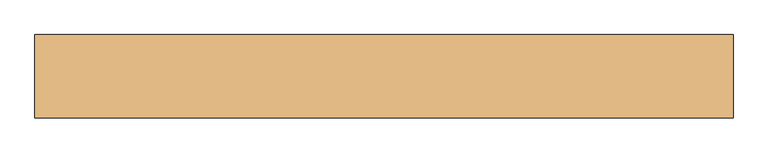
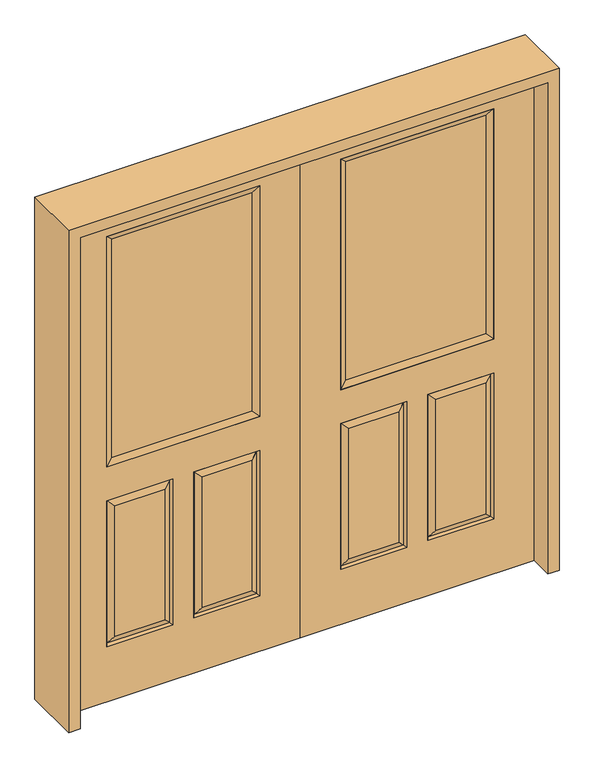
"""IFC4 building model written with IfcOpenShell, lengths in millimetres: door geometry."""

from ifc_helpers import new_model, si_unit, frame, origin, place, context, project, spatial, polyline, outline, extrude, faceted_brep, source, transform, mapped, element, save


def door_951740ad(model_context):
    return source(origin(), model_context, "Body", "SolidModel", [
        faceted_brep([(914.4, -22.225, 0.0), (914.4, -22.225, 2032.0), (0.0, -22.225, 2032.0), (0.0, -22.225, 0.0), (756.539, -22.225, 971.55), (157.861, -22.225, 971.55), (157.861, -22.225, 1925.574), (756.539, -22.225, 1925.574), (756.539, -22.225, 831.85), (756.539, -22.225, 228.6), (498.475, -22.225, 228.6), (498.475, -22.225, 831.85), (415.925, -22.225, 831.85), (415.925, -22.225, 228.6), (157.861, -22.225, 228.6), (157.861, -22.225, 831.85), (530.225, -22.225, 800.1), (530.225, -22.225, 260.35), (724.789, -22.225, 260.35), (724.789, -22.225, 800.1), (189.611, -22.225, 800.1), (189.611, -22.225, 260.35), (384.175, -22.225, 260.35), (384.175, -22.225, 800.1), (0.0, 22.225, 0.0), (914.4, 22.225, 0.0), (0.0, 22.225, 2032.0), (914.4, 22.225, 2032.0), (756.539, 22.225, 1925.574), (756.539, 22.225, 971.55), (157.861, 22.225, 971.55), (157.861, 22.225, 1925.574), (498.475, 22.225, 831.85), (498.475, 22.225, 228.6), (756.539, 22.225, 228.6), (756.539, 22.225, 831.85), (157.861, 22.225, 831.85), (157.861, 22.225, 228.6), (415.925, 22.225, 228.6), (415.925, 22.225, 831.85), (724.789, 22.225, 800.1), (724.789, 22.225, 260.35), (530.225, 22.225, 260.35), (530.225, 22.225, 800.1), (384.175, 22.225, 800.1), (384.175, 22.225, 260.35), (189.611, 22.225, 260.35), (189.611, 22.225, 800.1), (749.39525, -12.7449236, 824.70625), (505.61875, -12.7449236, 824.70625), (749.39525, -12.7449236, 235.74375), (505.61875, -12.7449236, 235.74375), (165.00475, -12.7449236, 824.70625), (408.78125, -12.7449236, 824.70625), (408.78125, -12.7449236, 235.74375), (165.00475, -12.7449236, 235.74375), (749.39525, 12.7449236, 824.70625), (505.61875, 12.7449236, 824.70625), (505.61875, 12.7449236, 235.74375), (749.39525, 12.7449236, 235.74375), (165.00475, 12.7449236, 824.70625), (408.78125, 12.7449236, 824.70625), (165.00475, 12.7449236, 235.74375), (408.78125, 12.7449236, 235.74375)], [[[0, 1, 2, 3], [4, 5, 6, 7], [8, 9, 10, 11], [12, 13, 14, 15]], [[16, 17, 18, 19]], [[20, 21, 22, 23]], [[3, 24, 25, 0]], [[2, 26, 24, 3]], [[0, 25, 27, 1]], [[7, 28, 29, 4]], [[5, 30, 31, 6]], [[4, 29, 30, 5]], [[25, 24, 26, 27], [29, 28, 31, 30], [32, 33, 34, 35], [36, 37, 38, 39]], [[40, 41, 42, 43]], [[44, 45, 46, 47]], [[1, 27, 26, 2]], [[6, 31, 28, 7]], [[16, 19, 48, 49]], [[19, 18, 50, 48]], [[51, 50, 18, 17]], [[49, 51, 17, 16]], [[48, 8, 11, 49]], [[11, 10, 51, 49]], [[10, 9, 50, 51]], [[48, 50, 9, 8]], [[52, 20, 23, 53]], [[23, 22, 54, 53]], [[22, 21, 55, 54]], [[52, 55, 21, 20]], [[53, 12, 15, 52]], [[15, 14, 55, 52]], [[54, 55, 14, 13]], [[53, 54, 13, 12]], [[56, 40, 43, 57]], [[43, 42, 58, 57]], [[42, 41, 59, 58]], [[56, 59, 41, 40]], [[57, 32, 35, 56]], [[35, 34, 59, 56]], [[58, 59, 34, 33]], [[57, 58, 33, 32]], [[44, 47, 60, 61]], [[47, 46, 62, 60]], [[63, 62, 46, 45]], [[61, 63, 45, 44]], [[60, 36, 39, 61]], [[39, 38, 63, 61]], [[38, 37, 62, 63]], [[60, 62, 37, 36]]]),
        extrude(outline(polyline([(183.261, -12.7), (183.261, 12.7), (731.139, 12.7), (731.139, -12.7), (183.261, -12.7)])), frame((0.0, 0.0, 996.95), z_axis=(0.0, 0.0, 1.0), x_axis=(1.0, 0.0, 0.0)), (0.0, 0.0, 1.0), 903.224),
        faceted_brep([(756.539, -22.225, 1925.574), (756.539, -22.225, 971.55), (756.539, 22.225, 971.55), (756.539, 22.225, 1925.574), (157.861, -22.225, 971.55), (157.861, 22.225, 971.55), (183.261, 12.7, 996.95), (731.139, 12.7, 996.95), (157.861, -22.225, 1925.574), (157.861, 22.225, 1925.574), (731.139, -12.7, 996.95), (183.261, -12.7, 996.95), (731.139, -12.7, 1900.174), (183.261, -12.7, 1900.174), (731.139, 12.7, 1900.174), (183.261, 12.7, 1900.174)], [[[0, 1, 2, 3]], [[1, 4, 5, 2]], [[2, 5, 6, 7]], [[4, 8, 9, 5]], [[10, 11, 4, 1]], [[12, 10, 1, 0]], [[11, 13, 8, 4]], [[7, 6, 11, 10]], [[14, 7, 10, 12]], [[6, 15, 13, 11]], [[3, 2, 7, 14]], [[5, 9, 15, 6]], [[8, 0, 3, 9]], [[13, 12, 0, 8]], [[15, 14, 12, 13]], [[9, 3, 14, 15]]]),
        faceted_brep([(-914.4, -22.225, 0.0), (0.0, -22.225, 0.0), (0.0, -22.225, 2032.0), (-914.4, -22.225, 2032.0), (-756.539, -22.225, 971.55), (-756.539, -22.225, 1925.574), (-157.861, -22.225, 1925.574), (-157.861, -22.225, 971.55), (-756.539, -22.225, 831.85), (-498.475, -22.225, 831.85), (-498.475, -22.225, 228.6), (-756.539, -22.225, 228.6), (-415.925, -22.225, 831.85), (-157.861, -22.225, 831.85), (-157.861, -22.225, 228.6), (-415.925, -22.225, 228.6), (-530.225, -22.225, 800.1), (-724.789, -22.225, 800.1), (-724.789, -22.225, 260.35), (-530.225, -22.225, 260.35), (-189.611, -22.225, 800.1), (-384.175, -22.225, 800.1), (-384.175, -22.225, 260.35), (-189.611, -22.225, 260.35), (-914.4, 22.225, 0.0), (0.0, 22.225, 0.0), (0.0, 22.225, 2032.0), (-914.4, 22.225, 2032.0), (-756.539, 22.225, 971.55), (-756.539, 22.225, 1925.574), (-157.861, 22.225, 1925.574), (-157.861, 22.225, 971.55), (-498.475, 22.225, 831.85), (-756.539, 22.225, 831.85), (-756.539, 22.225, 228.6), (-498.475, 22.225, 228.6), (-157.861, 22.225, 831.85), (-415.925, 22.225, 831.85), (-415.925, 22.225, 228.6), (-157.861, 22.225, 228.6), (-724.789, 22.225, 800.1), (-530.225, 22.225, 800.1), (-530.225, 22.225, 260.35), (-724.789, 22.225, 260.35), (-384.175, 22.225, 800.1), (-189.611, 22.225, 800.1), (-189.611, 22.225, 260.35), (-384.175, 22.225, 260.35), (-505.61875, -12.7449236, 824.70625), (-749.39525, -12.7449236, 824.70625), (-749.39525, -12.7449236, 235.74375), (-505.61875, -12.7449236, 235.74375), (-165.00475, -12.7449236, 824.70625), (-408.78125, -12.7449236, 824.70625), (-408.78125, -12.7449236, 235.74375), (-165.00475, -12.7449236, 235.74375), (-749.39525, 12.7449236, 824.70625), (-505.61875, 12.7449236, 824.70625), (-505.61875, 12.7449236, 235.74375), (-749.39525, 12.7449236, 235.74375), (-408.78125, 12.7449236, 824.70625), (-165.00475, 12.7449236, 824.70625), (-165.00475, 12.7449236, 235.74375), (-408.78125, 12.7449236, 235.74375)], [[[0, 1, 2, 3], [4, 5, 6, 7], [8, 9, 10, 11], [12, 13, 14, 15]], [[16, 17, 18, 19]], [[20, 21, 22, 23]], [[1, 0, 24, 25]], [[2, 1, 25, 26]], [[0, 3, 27, 24]], [[5, 4, 28, 29]], [[7, 6, 30, 31]], [[4, 7, 31, 28]], [[24, 27, 26, 25], [28, 31, 30, 29], [32, 33, 34, 35], [36, 37, 38, 39]], [[40, 41, 42, 43]], [[44, 45, 46, 47]], [[3, 2, 26, 27]], [[6, 5, 29, 30]], [[16, 48, 49, 17]], [[17, 49, 50, 18]], [[51, 19, 18, 50]], [[48, 16, 19, 51]], [[49, 48, 9, 8]], [[9, 48, 51, 10]], [[10, 51, 50, 11]], [[49, 8, 11, 50]], [[52, 53, 21, 20]], [[21, 53, 54, 22]], [[22, 54, 55, 23]], [[52, 20, 23, 55]], [[53, 52, 13, 12]], [[13, 52, 55, 14]], [[54, 15, 14, 55]], [[53, 12, 15, 54]], [[56, 57, 41, 40]], [[41, 57, 58, 42]], [[42, 58, 59, 43]], [[56, 40, 43, 59]], [[57, 56, 33, 32]], [[33, 56, 59, 34]], [[58, 35, 34, 59]], [[57, 32, 35, 58]], [[44, 60, 61, 45]], [[45, 61, 62, 46]], [[63, 47, 46, 62]], [[60, 44, 47, 63]], [[61, 60, 37, 36]], [[37, 60, 63, 38]], [[38, 63, 62, 39]], [[61, 36, 39, 62]]]),
        extrude(outline(polyline([(-183.261, -12.7), (-731.139, -12.7), (-731.139, 12.7), (-183.261, 12.7), (-183.261, -12.7)])), frame((0.0, 0.0, 996.95), z_axis=(0.0, 0.0, 1.0), x_axis=(1.0, 0.0, 0.0)), (0.0, 0.0, 1.0), 903.224),
        faceted_brep([(-756.539, -22.225, 1925.574), (-756.539, 22.225, 1925.574), (-756.539, 22.225, 971.55), (-756.539, -22.225, 971.55), (-157.861, 22.225, 971.55), (-157.861, -22.225, 971.55), (-731.139, 12.7, 996.95), (-183.261, 12.7, 996.95), (-157.861, 22.225, 1925.574), (-157.861, -22.225, 1925.574), (-731.139, -12.7, 996.95), (-183.261, -12.7, 996.95), (-731.139, -12.7, 1900.174), (-183.261, -12.7, 1900.174), (-731.139, 12.7, 1900.174), (-183.261, 12.7, 1900.174)], [[[0, 1, 2, 3]], [[3, 2, 4, 5]], [[2, 6, 7, 4]], [[5, 4, 8, 9]], [[10, 3, 5, 11]], [[12, 0, 3, 10]], [[11, 5, 9, 13]], [[6, 10, 11, 7]], [[14, 12, 10, 6]], [[7, 11, 13, 15]], [[1, 14, 6, 2]], [[4, 7, 15, 8]], [[9, 8, 1, 0]], [[13, 9, 0, 12]], [[15, 13, 12, 14]], [[8, 15, 14, 1]]]),
        extrude(outline(polyline([(0.0, -958.85), (0.0, -914.4), (2032.0, -914.4), (2032.0, 914.4), (0.0, 914.4), (0.0, 958.85), (2076.45, 958.85), (2076.45, -958.85), (0.0, -958.85)])), frame((0.0, -114.3, 0.0), z_axis=(0.0, 1.0, 0.0), x_axis=(0.0, 0.0, 1.0)), (0.0, 0.0, 1.0), 228.6),
    ])


if __name__ == "__main__":
    model = new_model("IFC4")
    model_context = context("Model", 3, world=origin())
    ifc_project = project(units=[si_unit("LENGTHUNIT", "METRE", prefix="MILLI")], contexts=[model_context])
    site = spatial("IfcSite", under=ifc_project)
    building = spatial("IfcBuilding", under=site)
    placement = place(None, origin())
    door_shape = door_951740ad(model_context)
    element("IfcDoor", 1, at=placement, inside=building, context=model_context, shape_type="MappedRepresentation", body=[
        mapped(door_shape, transform((0.0, 0.0, 0.0), x_axis=(1.0, 0.0, 0.0), y_axis=(0.0, 1.0, 0.0), z_axis=(0.0, 0.0, 1.0))),
    ])
    save(model, "model.ifc")
